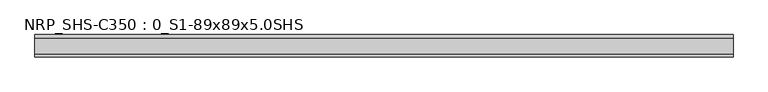
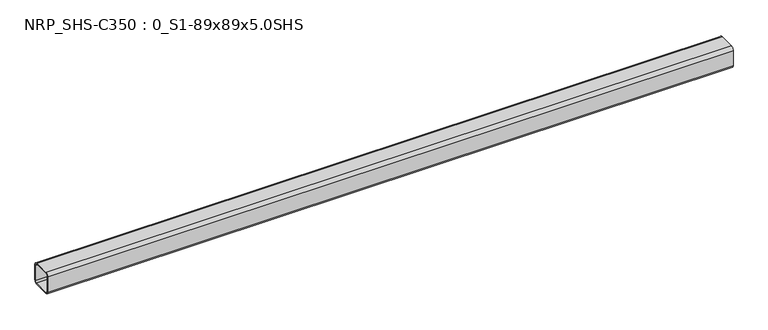
"""IFC4 building model written with IfcOpenShell, lengths in millimetres: beam geometry, NRP_SHS-C350 : 0_S1-89x89x5.0SHS."""

from ifc_helpers import new_model, si_unit, point, frame, frame_2d, origin, place, context, project, spatial, polyline, circle_curve, trimmed, segment, composite_curve, outline, extrude, source, transform, mapped, element, save


def nrp_shs_c350_0_s1_89x89x5_0shs_d035bea0(model_context):
    return source(origin(), model_context, "Body", "SweptSolid", [
        extrude(outline(composite_curve([segment(polyline([(44.5, 32.0), (44.5, -32.0)]), True, "CONTINUOUS"), segment(trimmed(circle_curve(frame_2d((32.0, -32.0)), 12.5), [point((44.5, -32.0))], [point((32.0, -44.5))], False, "CARTESIAN"), True, "CONTINUOUS"), segment(polyline([(32.0, -44.5), (-32.0, -44.5)]), True, "CONTINUOUS"), segment(trimmed(circle_curve(frame_2d((-32.0, -32.0)), 12.5), [point((-32.0, -44.5))], [point((-44.5, -32.0))], False, "CARTESIAN"), True, "CONTINUOUS"), segment(polyline([(-44.5, -32.0), (-44.5, 32.0)]), True, "CONTINUOUS"), segment(trimmed(circle_curve(frame_2d((-32.0, 32.0)), 12.5), [point((-44.5, 32.0))], [point((-32.0, 44.5))], False, "CARTESIAN"), True, "CONTINUOUS"), segment(polyline([(-32.0, 44.5), (32.0, 44.5)]), True, "CONTINUOUS"), segment(trimmed(circle_curve(frame_2d((32.0, 32.0)), 12.5), [point((32.0, 44.5))], [point((44.5, 32.0))], False, "CARTESIAN"), True, "CONTINUOUS")], self_intersect=False), holes=[composite_curve([segment(trimmed(circle_curve(frame_2d((-32.0, 32.0)), 7.5), [point((-32.0, 39.5))], [point((-39.5, 32.0))], True, "CARTESIAN"), True, "CONTINUOUS"), segment(polyline([(-39.5, 32.0), (-39.5, -32.0)]), True, "CONTINUOUS"), segment(trimmed(circle_curve(frame_2d((-32.0, -32.0)), 7.5), [point((-39.5, -32.0))], [point((-32.0, -39.5))], True, "CARTESIAN"), True, "CONTINUOUS"), segment(polyline([(-32.0, -39.5), (32.0, -39.5)]), True, "CONTINUOUS"), segment(trimmed(circle_curve(frame_2d((32.0, -32.0)), 7.5), [point((32.0, -39.5))], [point((39.5, -32.0))], True, "CARTESIAN"), True, "CONTINUOUS"), segment(polyline([(39.5, -32.0), (39.5, 32.0)]), True, "CONTINUOUS"), segment(trimmed(circle_curve(frame_2d((32.0, 32.0)), 7.5), [point((39.5, 32.0))], [point((32.0, 39.5))], True, "CARTESIAN"), True, "CONTINUOUS"), segment(polyline([(32.0, 39.5), (-32.0, 39.5)]), True, "CONTINUOUS")], self_intersect=False)]), frame((-1367.0, 0.0, 0.0), z_axis=(1.0, 0.0, 0.0), x_axis=(0.0, 1.0, 0.0)), (0.0, 0.0, 1.0), 2761.0),
    ])


if __name__ == "__main__":
    model = new_model("IFC4")
    model_context = context("Model", 3, world=origin())
    ifc_project = project(units=[si_unit("LENGTHUNIT", "METRE", prefix="MILLI")], contexts=[model_context])
    site = spatial("IfcSite", under=ifc_project)
    building = spatial("IfcBuilding", under=site)
    placement = place(None, origin())
    nrp_shs_c350_0_s1_89x89x5_0shs_shape = nrp_shs_c350_0_s1_89x89x5_0shs_d035bea0(model_context)
    element("IfcBeam", 1, ObjectType="NRP_SHS-C350 : 0_S1-89x89x5.0SHS", at=placement, inside=building, context=model_context, shape_type="MappedRepresentation", body=[
        mapped(nrp_shs_c350_0_s1_89x89x5_0shs_shape, transform((0.0, 0.0, 0.0), x_axis=(1.0, 0.0, 0.0), y_axis=(0.0, 1.0, 0.0), z_axis=(0.0, 0.0, 1.0))),
    ])
    save(model, "model.ifc")
